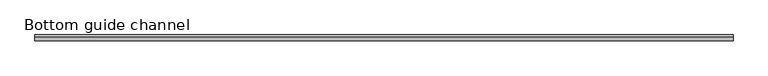
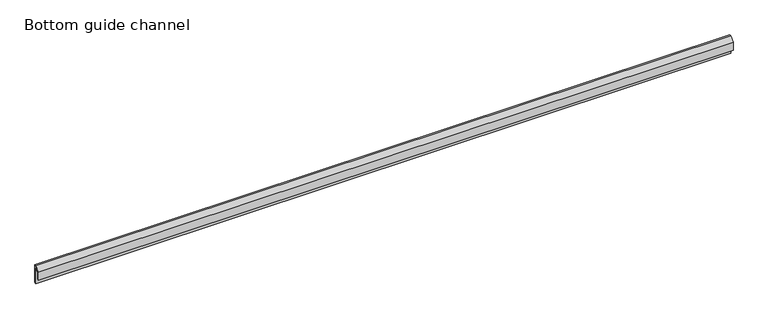
"""IFC4 building model written with IfcOpenShell, lengths in millimetres: proxy geometry, Bottom guide channel."""

from ifc_helpers import new_model, si_unit, frame, origin, place, context, project, spatial, polyline, outline, extrude, source, transform, mapped, element, save


def bottom_guide_channel_c0a81bbe(model_context):
    return source(origin(), model_context, "Body", "SweptSolid", [
        extrude(outline(polyline([(0.0, 52.0), (0.0, 0.0), (-5.0, 0.0), (-5.0, 44.9289322), (-13.0, 36.9289322), (-13.0, 17.0), (-17.0, 17.0), (-17.0, 40.0), (-5.0, 52.0), (0.0, 52.0)])), frame((0.0, 0.0, 0.0), z_axis=(1.0, 0.0, 0.0), x_axis=(0.0, 1.0, 0.0)), (0.0, 0.0, 1.0), 1950.0),
    ])


if __name__ == "__main__":
    model = new_model("IFC4")
    model_context = context("Model", 3, world=origin())
    ifc_project = project(units=[si_unit("LENGTHUNIT", "METRE", prefix="MILLI")], contexts=[model_context])
    site = spatial("IfcSite", under=ifc_project)
    building = spatial("IfcBuilding", under=site)
    placement = place(None, origin())
    bottom_guide_channel_shape = bottom_guide_channel_c0a81bbe(model_context)
    element("IfcBuildingElementProxy", 1, Name="Bottom guide channel", ObjectType="Bottom guide channel", at=placement, inside=building, context=model_context, shape_type="MappedRepresentation", body=[
        mapped(bottom_guide_channel_shape, transform((0.0, 0.0, 0.0), x_axis=(1.0, 0.0, 0.0), y_axis=(0.0, 1.0, 0.0), z_axis=(0.0, 0.0, 1.0))),
    ])
    save(model, "model.ifc")
